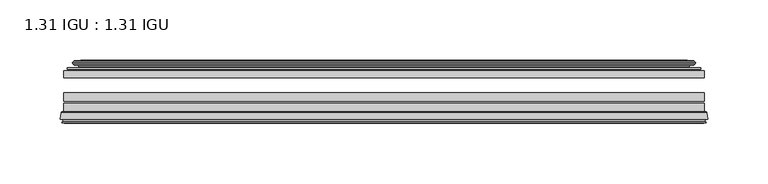
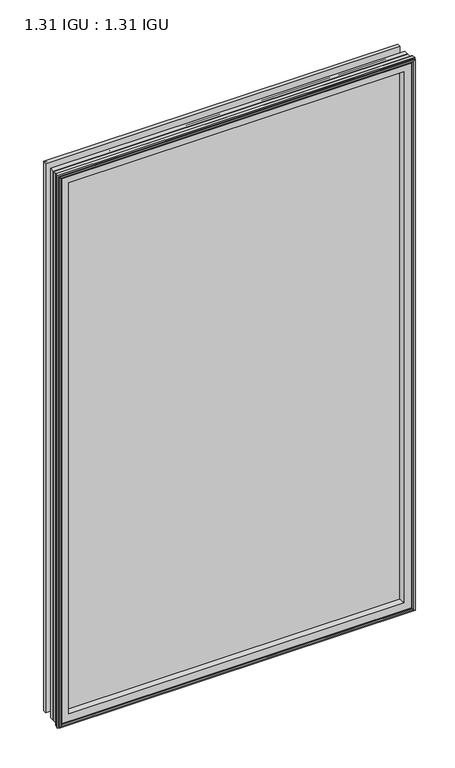
"""IFC4 building model written with IfcOpenShell, lengths in millimetres: plate geometry, 1.31 IGU : 1.31 IGU."""

import ifcopenshell
import ifcopenshell.guid

model = None  # the IFC model being written
_history = None  # IfcOwnerHistory: only IFC2X3 demands one
_inside = {}  # id of a spatial element -> (the spatial element, [elements in it])
_under = {}  # id of a project, library or spatial element -> (it, [spatial elements below it])
_declared = {}  # id of a project -> (the project, [libraries it declares])
_typed = {}  # id of a type object -> (the type object, [elements of that type])
_made_of = {}  # id of a material, layer set ... -> (it, [elements and type objects made of it])


def new_model(schema):
    """Start an empty IFC model of exactly this schema.

    Asked for "IFC4X3", IfcOpenShell would pick the latest addendum, in which some entities
    have other attributes; the version numbers below select the first issue.
    IFC2X3 requires an IfcOwnerHistory on every rooted entity: one is made here for all.
    """
    global model, _history
    if schema == "IFC4X3":
        model = ifcopenshell.file(schema_version=(4, 3, 0, 0))
    else:
        model = ifcopenshell.file(schema=schema)
    _inside.clear()
    _under.clear()
    _declared.clear()
    _typed.clear()
    _made_of.clear()
    _history = None
    if model.schema == "IFC2X3":
        org = make("IfcOrganization", Name="unknown")
        user = make(
            "IfcPersonAndOrganization",
            ThePerson=make("IfcPerson", FamilyName="unknown"),
            TheOrganization=org,
        )
        app = make(
            "IfcApplication",
            ApplicationDeveloper=org,
            Version="unknown",
            ApplicationFullName="unknown",
            ApplicationIdentifier="unknown",
        )
        _history = make(
            "IfcOwnerHistory",
            OwningUser=user,
            OwningApplication=app,
            ChangeAction="ADDED",
            CreationDate=0,
        )
    return model


def make(cls, **values):
    """One entity of the class cls with the attributes given. An attribute that is None is left unset."""
    return model.create_entity(
        cls, **{name: value for name, value in values.items() if value is not None}
    )


def rooted(cls, **values):
    """An entity with a GlobalId (a new one), such as an element, a storey or a relation."""
    return make(cls, GlobalId=ifcopenshell.guid.new(), OwnerHistory=_history, **values)


def si_unit(unit_type, name, prefix=None):
    """IfcSIUnit, for example si_unit("LENGTHUNIT", "METRE", prefix="MILLI")."""
    return make("IfcSIUnit", UnitType=unit_type, Prefix=prefix, Name=name)


def assignment(units):
    """IfcUnitAssignment: the units of a project."""
    return None if units is None else make("IfcUnitAssignment", Units=units)


def point(xyz):
    """IfcCartesianPoint."""
    return None if xyz is None else make("IfcCartesianPoint", Coordinates=xyz)


def direction(xyz):
    """IfcDirection."""
    return None if xyz is None else make("IfcDirection", DirectionRatios=xyz)


def frame(location, z_axis=None, x_axis=None):
    """IfcAxis2Placement3D, a coordinate frame: its origin and axes. An axis left out is left unset."""
    return make(
        "IfcAxis2Placement3D",
        Location=point(location),
        Axis=direction(z_axis),
        RefDirection=direction(x_axis),
    )


def origin():
    """The frame at (0, 0, 0) with its axes left unset."""
    return frame((0.0, 0.0, 0.0))


def place(relative_to, where):
    """IfcLocalPlacement: puts the frame where relative to a parent placement (None: the world)."""
    return make(
        "IfcLocalPlacement", PlacementRelTo=relative_to, RelativePlacement=where
    )


def context(
    kind, dimensions, precision=None, world=None, true_north=None, identifier=None
):
    """IfcGeometricRepresentationContext, for example the 3D "Model" context."""
    return make(
        "IfcGeometricRepresentationContext",
        ContextIdentifier=identifier,
        ContextType=kind,
        CoordinateSpaceDimension=dimensions,
        Precision=precision,
        WorldCoordinateSystem=world,
        TrueNorth=true_north,
    )


def project(units=None, contexts=None):
    """IfcProject with its units and contexts."""
    return rooted(
        "IfcProject",
        Name="project",
        RepresentationContexts=contexts,
        UnitsInContext=assignment(units),
    )


def spatial(cls, under=None, at=None, **own):
    """A site, building, storey or space (cls), placed at a placement, below another one or the project."""
    s = rooted(cls, ObjectPlacement=at, **own)
    if under is not None:
        _under.setdefault(under.id(), (under, []))[1].append(s)
    return s


def polyline(points):
    """IfcPolyline through the points."""
    return make("IfcPolyline", Points=[point(p) for p in points])


def ellipse_curve(where, semi_axis1, semi_axis2):
    """IfcEllipse in the frame where."""
    return make(
        "IfcEllipse", Position=where, SemiAxis1=semi_axis1, SemiAxis2=semi_axis2
    )


def outline(outer, holes=None, kind="AREA"):
    """IfcArbitraryClosedProfileDef: a profile drawn as a closed curve; with holes, ...WithVoids."""
    if holes is None:
        return make("IfcArbitraryClosedProfileDef", ProfileType=kind, OuterCurve=outer)
    return make(
        "IfcArbitraryProfileDefWithVoids",
        ProfileType=kind,
        OuterCurve=outer,
        InnerCurves=holes,
    )


def extrude(swept, where, along, depth):
    """IfcExtrudedAreaSolid: the profile swept, set in the frame where, extruded along a direction by depth."""
    return make(
        "IfcExtrudedAreaSolid",
        SweptArea=swept,
        Position=where,
        ExtrudedDirection=direction(along),
        Depth=depth,
    )


def shape(context_of_items, identifier, shape_type, items):
    """IfcShapeRepresentation: the items that make up one representation, for example the "Body"."""
    return make(
        "IfcShapeRepresentation",
        ContextOfItems=context_of_items,
        RepresentationIdentifier=identifier,
        RepresentationType=shape_type,
        Items=items,
    )


def source(mapping_origin, context_of_items, identifier, shape_type, items):
    """IfcRepresentationMap: a shape defined once, which mapped items show again and again."""
    return make(
        "IfcRepresentationMap",
        MappingOrigin=mapping_origin,
        MappedRepresentation=shape(context_of_items, identifier, shape_type, items),
    )


def transform(
    local_origin,
    x_axis=None,
    y_axis=None,
    z_axis=None,
    scale=None,
    scale2=None,
    scale3=None,
    uniform=True,
):
    """IfcCartesianTransformationOperator3D, or its non-uniform kind. x_axis, y_axis, z_axis: its Axis1, 2, 3."""
    if uniform:
        return make(
            "IfcCartesianTransformationOperator3D",
            Axis1=direction(x_axis),
            Axis2=direction(y_axis),
            LocalOrigin=point(local_origin),
            Scale=scale,
            Axis3=direction(z_axis),
        )
    return make(
        "IfcCartesianTransformationOperator3DnonUniform",
        Axis1=direction(x_axis),
        Axis2=direction(y_axis),
        LocalOrigin=point(local_origin),
        Scale=scale,
        Axis3=direction(z_axis),
        Scale2=scale2,
        Scale3=scale3,
    )


def mapped(mapping_source, mapping_target):
    """IfcMappedItem: shows the shape of a source again, moved by a transform."""
    return make(
        "IfcMappedItem", MappingSource=mapping_source, MappingTarget=mapping_target
    )


def made_of(thing, what):
    """Note that an element or type object is made of a material, layer set ...; save() writes the relation."""
    if what is not None:
        _made_of.setdefault(what.id(), (what, []))[1].append(thing)
    return thing


def element(
    cls,
    number,
    at=None,
    inside=None,
    cuts=None,
    type_object=None,
    material=None,
    context=None,
    identifier="Body",
    shape_type=None,
    held_by="IfcProductDefinitionShape",
    body=None,
    shapes=None,
    **own,
):
    """One element of the class cls, such as IfcWall. Its Tag is "e" and its number.

    at: its placement. inside: the storey or other place that contains it. cuts: it is an
    opening in that element (IfcRelVoidsElement). A single representation is given by context,
    identifier, shape_type and body (its items); several are given by shapes. held_by: the class
    of the entity that holds the representations. save() writes the other relations.
    """
    e = rooted(cls, Tag="e%d" % number, ObjectPlacement=at, **own)
    if body is not None:
        shapes = [shape(context, identifier, shape_type, body)]
    if shapes is not None:
        e.Representation = make(held_by, Representations=shapes)
    if inside is not None:
        _inside.setdefault(inside.id(), (inside, []))[1].append(e)
    if cuts is not None:
        rooted(
            "IfcRelVoidsElement", RelatingBuildingElement=cuts, RelatedOpeningElement=e
        )
    if type_object is not None:
        _typed.setdefault(type_object.id(), (type_object, []))[1].append(e)
    return made_of(e, material)


def aggregate(whole, parts):
    """IfcRelAggregates: a whole, such as a stair, and the parts it consists of."""
    return rooted("IfcRelAggregates", RelatingObject=whole, RelatedObjects=parts)


def save(model, path):
    """Write the relations noted so far, then the file.

    IfcRelAggregates (storeys below a building ...), IfcRelContainedInSpatialStructure (elements
    in a storey), IfcRelDefinesByType, IfcRelAssociatesMaterial and IfcRelDeclares: one each for
    every whole, place, type object, material and project.
    """
    for whole, parts in _under.values():
        aggregate(whole, parts)
    for where, things in _inside.values():
        rooted(
            "IfcRelContainedInSpatialStructure",
            RelatedElements=things,
            RelatingStructure=where,
        )
    for kind, things in _typed.values():
        rooted("IfcRelDefinesByType", RelatedObjects=things, RelatingType=kind)
    for what, things in _made_of.values():
        rooted("IfcRelAssociatesMaterial", RelatedObjects=things, RelatingMaterial=what)
    for by, libraries in _declared.values():
        rooted("IfcRelDeclares", RelatingContext=by, RelatedDefinitions=libraries)
    model.write(path)


def plane_surface(at):
    """IfcPlane: the flat surface through the origin of the frame at, square to its z axis."""
    return make("IfcPlane", Position=at)


def cylinder_surface(at, radius):
    """IfcCylindricalSurface: all points at the distance radius from the z axis of the frame at."""
    return make("IfcCylindricalSurface", Position=at, Radius=radius)


def revolved_surface(curve, axis_point, axis_direction):
    """IfcSurfaceOfRevolution: the curve turned about the line through axis_point along axis_direction."""
    return make(
        "IfcSurfaceOfRevolution",
        SweptCurve=make("IfcArbitraryOpenProfileDef", ProfileType="CURVE", Curve=curve),
        AxisPosition=make("IfcAxis1Placement", Location=point(axis_point), Axis=direction(axis_direction)),
    )


def advanced_brep(points, edges, surfaces, faces):
    """IfcAdvancedBrep: a solid bounded by faces that lie on surfaces and meet in shared edges.

    An edge is (start, end): straight between two places in points (the first is 0);
    or (start, end, curve); or (start, end, curve, False) where it runs against its curve.
    A face is (place in surfaces, loops), or (place, loops, False) where it looks against
    its surface's normal. A loop lists edges by number (the first is 1), with a minus sign
    where the edge is run from its end to its start. The first loop is the outer one.
    """
    corners = [point(p) for p in points]
    vertices = [make("IfcVertexPoint", VertexGeometry=c) for c in corners]
    made = []
    for start, end, *more in edges:
        made.append(
            make(
                "IfcEdgeCurve",
                EdgeStart=vertices[start],
                EdgeEnd=vertices[end],
                EdgeGeometry=more[0] if more else make("IfcPolyline", Points=[corners[start], corners[end]]),
                SameSense=more[1] if len(more) > 1 else True,
            )
        )
    hull = []
    for where, loops, *sense in faces:
        bounds = []
        for j, loop in enumerate(loops):
            ring = [make("IfcOrientedEdge", EdgeElement=made[abs(k) - 1], Orientation=k > 0) for k in loop]
            bounds.append(
                make(
                    "IfcFaceOuterBound" if j == 0 else "IfcFaceBound",
                    Bound=make("IfcEdgeLoop", EdgeList=ring),
                    Orientation=True,
                )
            )
        hull.append(make("IfcAdvancedFace", Bounds=bounds, FaceSurface=surfaces[where], SameSense=sense[0] if sense else True))
    return make("IfcAdvancedBrep", Outer=make("IfcClosedShell", CfsFaces=hull))


def plate_1_31_igu_1_31_igu_bc523b24(model_context):
    return source(origin(), model_context, "Body", "SolidModel", [
        extrude(outline(polyline([(265.1081075, -44.8960875), (265.1081075, -50.4332875), (-265.1130426, -50.4332875), (-265.1130426, -44.8960875), (265.1081075, -44.8960875)])), frame((0.0, 0.0, -14.2875), z_axis=(0.0, 0.0, 1.0), x_axis=(1.0, 0.0, 0.0)), (0.0, 0.0, 1.0), 868.3488413),
        extrude(outline(polyline([(-265.1130426, -78.7796875), (-265.1130426, -71.7692875), (265.1081075, -71.7692875), (265.1081075, -78.7796875), (-265.1130426, -78.7796875)])), frame((0.0, 0.0, -14.2875), z_axis=(0.0, 0.0, 1.0), x_axis=(1.0, 0.0, 0.0)), (0.0, 0.0, 1.0), 868.3488413),
        extrude(outline(polyline([(-265.1130426, -70.2452875), (-265.1130426, -63.1332875), (265.1081075, -63.1332875), (265.1081075, -70.2452875), (-265.1130426, -70.2452875)])), frame((0.0, 0.0, -14.2875), z_axis=(0.0, 0.0, 1.0), x_axis=(1.0, 0.0, 0.0)), (0.0, 0.0, 1.0), 868.3488413),
        advanced_brep(
        [(-267.6599465, -85.1296875, 856.6082452), (-266.9651627, -79.4711276, 855.9134614), (-266.9651627, -79.4711276, -16.1396201), (-267.6599465, -85.1296875, -16.8344039), (-265.2723465, -87.1207518, 854.2206452), (-265.7295465, -85.1296875, 854.6778452), (-265.7295465, -85.1296875, -14.9040039), (-265.2723465, -87.1207518, -14.4468039), (-266.2737083, -86.8524376, 855.222007), (-266.2737083, -86.8524376, -15.4481658), (-266.5169465, -87.7602147, 855.4652452), (-266.5169465, -87.7602147, -15.6914039), (-264.4849465, -88.3046875, 853.4332452), (-264.4849465, -88.3046875, -13.6594039), (-262.4529465, -87.7602147, 851.4012452), (-262.4529465, -87.7602147, -11.6274039), (-262.6961846, -86.8524376, 851.6444833), (-262.6961846, -86.8524376, -11.8706421), (-263.6975465, -87.1207518, 852.6458452), (-263.6975465, -87.1207518, -12.8720039), (-263.2403465, -85.1296875, 852.1886452), (-263.2403465, -85.1296875, -12.4148039), (-266.1836318, -78.7796875, 855.1319306), (-266.1836318, -78.7796875, -15.3580893), (266.9651627, -79.4711276, -16.1396201), (267.6599465, -85.1296875, -16.8344039), (265.7295465, -85.1296875, -14.9040039), (265.2723465, -87.1207518, -14.4468039), (266.2737083, -86.8524376, -15.4481658), (266.5169465, -87.7602147, -15.6914039), (264.4849465, -88.3046875, -13.6594039), (262.4529465, -87.7602147, -11.6274039), (262.6961846, -86.8524376, -11.8706421), (263.6975465, -87.1207518, -12.8720039), (263.2403465, -85.1296875, -12.4148039), (266.1836318, -78.7796875, -15.3580893), (266.9651627, -79.4711276, 855.9134614), (267.6599465, -85.1296875, 856.6082452), (265.7295465, -85.1296875, 854.6778452), (265.2723465, -87.1207518, 854.2206452), (266.2737083, -86.8524376, 855.222007), (266.5169465, -87.7602147, 855.4652452), (264.4849465, -88.3046875, 853.4332452), (262.4529465, -87.7602147, 851.4012452), (262.6961846, -86.8524376, 851.6444833), (263.6975465, -87.1207518, 852.6458452), (263.2403465, -85.1296875, 852.1886452), (266.1836318, -78.7796875, 855.1319306), (-250.8377557, -85.1296875, 839.7860544), (250.8377557, -85.1296875, 839.7860544), (250.8377557, -85.1296875, -0.0122131), (-250.8377557, -85.1296875, -0.0122131), (-247.5214788, -78.7796875, 3.3040638), (247.5214788, -78.7796875, 3.3040638), (247.5214788, -78.7796875, 836.4697775), (-247.5214788, -78.7796875, 836.4697775)],
        [
            (0, 1),
            (1, 2),
            (2, 3),
            (3, 0),
            (4, 5),
            (5, 6),
            (6, 7),
            (7, 4),
            (8, 4),
            (7, 9),
            (9, 8),
            (10, 8),
            (9, 11),
            (11, 10),
            (12, 10),
            (11, 13),
            (13, 12),
            (14, 12),
            (13, 15),
            (15, 14),
            (16, 14),
            (15, 17),
            (17, 16),
            (18, 16),
            (17, 19),
            (19, 18),
            (20, 18),
            (19, 21),
            (21, 20),
            (1, 22, ellipse_curve(frame((-266.1836318, -79.5670875, 855.1319306), z_axis=(-0.7071067811865475, 0.0, -0.7071067811865475), x_axis=(-0.7071067811865474, 0.0, 0.7071067811865476)), 1.1135518, 0.7874)),
            (22, 23),
            (23, 2, ellipse_curve(frame((-266.1836318, -79.5670875, -15.3580893), z_axis=(-0.7071067811865475, 0.0, 0.7071067811865475), x_axis=(0.7071067811865474, 0.0, 0.7071067811865476)), 1.1135518, 0.7874)),
            (2, 24),
            (24, 25),
            (25, 3),
            (6, 26),
            (26, 27),
            (27, 7),
            (27, 28),
            (28, 9),
            (28, 29),
            (29, 11),
            (29, 30),
            (30, 13),
            (30, 31),
            (31, 15),
            (31, 32),
            (32, 17),
            (32, 33),
            (33, 19),
            (33, 34),
            (34, 21),
            (23, 35),
            (35, 24, ellipse_curve(frame((266.1836318, -79.5670875, -15.3580893), z_axis=(-0.7071067811865475, 0.0, -0.7071067811865475), x_axis=(-0.7071067811865476, 0.0, 0.7071067811865474)), 1.1135518, 0.7874)),
            (24, 36),
            (36, 37),
            (37, 25),
            (26, 38),
            (38, 39),
            (39, 27),
            (39, 40),
            (40, 28),
            (40, 41),
            (41, 29),
            (41, 42),
            (42, 30),
            (42, 43),
            (43, 31),
            (43, 44),
            (44, 32),
            (44, 45),
            (45, 33),
            (45, 46),
            (46, 34),
            (35, 47),
            (47, 36, ellipse_curve(frame((266.1836318, -79.5670875, 855.1319306), z_axis=(0.7071067811865475, 0.0, -0.7071067811865475), x_axis=(-0.7071067811865474, 0.0, -0.7071067811865476)), 1.1135518, 0.7874)),
            (36, 1),
            (0, 37),
            (5, 38),
            (4, 39),
            (8, 40),
            (10, 41),
            (12, 42),
            (14, 43),
            (16, 44),
            (18, 45),
            (20, 46),
            (48, 49),
            (49, 50),
            (50, 51),
            (51, 48),
            (22, 47),
            (52, 53),
            (53, 54),
            (54, 55),
            (55, 52),
            (55, 48, ellipse_curve(frame((-239.5884608, -86.963653, 828.5367595), z_axis=(0.7071067811865475, 0.0, 0.7071067811865475), x_axis=(0.7071067811865474, 0.0, -0.7071067811865476)), 16.118937, 11.3978097)),
            (51, 52, ellipse_curve(frame((-239.5884608, -86.963653, 11.2370818), z_axis=(0.7071067811865475, 0.0, -0.7071067811865475), x_axis=(-0.7071067811865474, 0.0, -0.7071067811865476)), 16.118937, 11.3978097)),
            (50, 53, ellipse_curve(frame((239.5884608, -86.963653, 11.2370818), z_axis=(0.7071067811865475, 0.0, 0.7071067811865475), x_axis=(0.7071067811865476, 0.0, -0.7071067811865474)), 16.118937, 11.3978097)),
            (49, 54, ellipse_curve(frame((239.5884608, -86.963653, 828.5367595), z_axis=(-0.7071067811865475, 0.0, 0.7071067811865475), x_axis=(0.7071067811865474, 0.0, 0.7071067811865476)), 16.118937, 11.3978097)),
        ],
        [
            plane_surface(frame((-266.9651627, -79.4711276, 855.9134614), z_axis=(-0.9925461516413008, 0.12186934340532067, 0.0), x_axis=(0.0, 0.0, -1.0))),
            plane_surface(frame((-265.7295465, -85.1296875, 854.6778452), z_axis=(-0.9746347637895997, -0.22380142361654332, 0.0), x_axis=(0.0, 0.0, -1.0))),
            plane_surface(frame((-265.2723465, -87.1207518, 854.2206452), z_axis=(0.25881904510266784, 0.9659258262890289, 0.0), x_axis=(0.0, 0.0, -1.0))),
            plane_surface(frame((-266.2737083, -86.8524376, 855.222007), z_axis=(-0.9659258262890449, 0.2588190451026083, 0.0), x_axis=(0.0, 0.0, -1.0))),
            plane_surface(frame((-266.5169465, -87.7602147, 855.4652452), z_axis=(-0.2588190451025689, -0.9659258262890554, 0.0), x_axis=(0.0, 0.0, -1.0))),
            plane_surface(frame((-264.4849465, -88.3046875, 853.4332452), z_axis=(0.25881904510241466, -0.9659258262890968, 0.0), x_axis=(0.0, 0.0, -1.0))),
            plane_surface(frame((-262.4529465, -87.7602147, 851.4012452), z_axis=(0.9659258262890272, 0.25881904510267406, 0.0), x_axis=(0.0, 0.0, -1.0))),
            plane_surface(frame((-262.6961846, -86.8524376, 851.6444833), z_axis=(-0.25881904510234177, 0.9659258262891163, 0.0), x_axis=(0.0, 0.0, -1.0))),
            plane_surface(frame((-263.6975465, -87.1207518, 852.6458452), z_axis=(0.9746347637895936, -0.2238014236165695, 0.0), x_axis=(0.0, 0.0, -1.0))),
            cylinder_surface(frame((-266.1836318, -79.5670875, 871.5238413), z_axis=(0.0, 0.0, 1.0), x_axis=(-1.0, 0.0, 0.0)), 0.7874),
            plane_surface(frame((-266.9651627, -79.4711276, -16.1396201), z_axis=(0.0, 0.12186934340531747, -0.9925461516413012), x_axis=(1.0, 0.0, 0.0))),
            plane_surface(frame((-265.7295465, -85.1296875, -14.9040039), z_axis=(0.0, -0.22380142361654648, -0.9746347637895989), x_axis=(1.0, 0.0, 0.0))),
            plane_surface(frame((-265.2723465, -87.1207518, -14.4468039), z_axis=(0.0, 0.9659258262890298, 0.25881904510266474), x_axis=(1.0, 0.0, 0.0))),
            plane_surface(frame((-266.2737083, -86.8524376, -15.4481658), z_axis=(0.0, 0.25881904510260517, -0.9659258262890458), x_axis=(1.0, 0.0, 0.0))),
            plane_surface(frame((-266.5169465, -87.7602147, -15.6914039), z_axis=(0.0, -0.9659258262890563, -0.2588190451025658), x_axis=(1.0, 0.0, 0.0))),
            plane_surface(frame((-264.4849465, -88.3046875, -13.6594039), z_axis=(0.0, -0.965925826289096, 0.25881904510241777), x_axis=(1.0, 0.0, 0.0))),
            plane_surface(frame((-262.4529465, -87.7602147, -11.6274039), z_axis=(0.0, 0.2588190451026772, 0.9659258262890265), x_axis=(1.0, 0.0, 0.0))),
            plane_surface(frame((-262.6961846, -86.8524376, -11.8706421), z_axis=(0.0, 0.9659258262891154, -0.2588190451023449), x_axis=(1.0, 0.0, 0.0))),
            plane_surface(frame((-263.6975465, -87.1207518, -12.8720039), z_axis=(0.0, -0.22380142361656633, 0.9746347637895943), x_axis=(1.0, 0.0, 0.0))),
            cylinder_surface(frame((-282.5755426, -79.5670875, -15.3580893), z_axis=(-1.0, 0.0, 0.0), x_axis=(0.0, 0.0, -1.0)), 0.7874),
            plane_surface(frame((266.9651627, -79.4711276, -16.1396201), z_axis=(0.9925461516413017, 0.12186934340531426, 0.0), x_axis=(0.0, 0.0, 1.0))),
            plane_surface(frame((265.7295465, -85.1296875, -14.9040039), z_axis=(0.9746347637895981, -0.22380142361654964, 0.0), x_axis=(0.0, 0.0, 1.0))),
            plane_surface(frame((265.2723465, -87.1207518, -14.4468039), z_axis=(-0.2588190451026616, 0.9659258262890307, 0.0), x_axis=(0.0, 0.0, 1.0))),
            plane_surface(frame((266.2737083, -86.8524376, -15.4481658), z_axis=(0.9659258262890467, 0.25881904510260206, 0.0), x_axis=(0.0, 0.0, 1.0))),
            plane_surface(frame((266.5169465, -87.7602147, -15.6914039), z_axis=(0.2588190451025627, -0.9659258262890572, 0.0), x_axis=(0.0, 0.0, 1.0))),
            plane_surface(frame((264.4849465, -88.3046875, -13.6594039), z_axis=(-0.2588190451024209, -0.9659258262890951, 0.0), x_axis=(0.0, 0.0, 1.0))),
            plane_surface(frame((262.4529465, -87.7602147, -11.6274039), z_axis=(-0.9659258262890256, 0.25881904510268033, 0.0), x_axis=(0.0, 0.0, 1.0))),
            plane_surface(frame((262.6961846, -86.8524376, -11.8706421), z_axis=(0.25881904510234804, 0.9659258262891146, 0.0), x_axis=(0.0, 0.0, 1.0))),
            plane_surface(frame((263.6975465, -87.1207518, -12.8720039), z_axis=(-0.9746347637895951, -0.22380142361656316, 0.0), x_axis=(0.0, 0.0, 1.0))),
            cylinder_surface(frame((266.1836318, -79.5670875, -31.75), z_axis=(0.0, 0.0, -1.0), x_axis=(1.0, 0.0, 0.0)), 0.7874),
            plane_surface(frame((266.9651627, -79.4711276, 855.9134614), z_axis=(0.0, 0.12186934340531747, 0.9925461516413012), x_axis=(-1.0, 0.0, 0.0))),
            plane_surface(frame((267.6599465, -85.1296875, 856.6082452), z_axis=(0.0, -1.0, 0.0), x_axis=(-1.0, 0.0, 0.0))),
            plane_surface(frame((265.7295465, -85.1296875, 854.6778452), z_axis=(0.0, -0.22380142361654648, 0.9746347637895989), x_axis=(-1.0, 0.0, 0.0))),
            plane_surface(frame((265.2723465, -87.1207518, 854.2206452), z_axis=(0.0, 0.9659258262890298, -0.25881904510266474), x_axis=(-1.0, 0.0, 0.0))),
            plane_surface(frame((266.2737083, -86.8524376, 855.222007), z_axis=(0.0, 0.25881904510260517, 0.9659258262890458), x_axis=(-1.0, 0.0, 0.0))),
            plane_surface(frame((266.5169465, -87.7602147, 855.4652452), z_axis=(0.0, -0.9659258262890563, 0.2588190451025658), x_axis=(-1.0, 0.0, 0.0))),
            plane_surface(frame((264.4849465, -88.3046875, 853.4332452), z_axis=(0.0, -0.965925826289096, -0.25881904510241777), x_axis=(-1.0, 0.0, 0.0))),
            plane_surface(frame((262.4529465, -87.7602147, 851.4012452), z_axis=(0.0, 0.2588190451026772, -0.9659258262890265), x_axis=(-1.0, 0.0, 0.0))),
            plane_surface(frame((262.6961846, -86.8524376, 851.6444833), z_axis=(0.0, 0.9659258262891155, 0.25881904510234494), x_axis=(-1.0, 0.0, 0.0))),
            plane_surface(frame((263.6975465, -87.1207518, 852.6458452), z_axis=(0.0, -0.22380142361656633, -0.9746347637895943), x_axis=(-1.0, 0.0, 0.0))),
            plane_surface(frame((263.2403465, -85.1296875, 852.1886452), z_axis=(0.0, -1.0, 0.0), x_axis=(-1.0, 0.0, 0.0))),
            plane_surface(frame((247.5214788, -78.7796875, 836.4697775), z_axis=(0.0, 1.0, 0.0), x_axis=(-1.0, 0.0, 0.0))),
            cylinder_surface(frame((282.5755426, -79.5670875, 855.1319306), z_axis=(1.0, 0.0, 0.0), x_axis=(0.0, 0.0, 1.0)), 0.7874),
            revolved_surface(polyline([(-250.98627050000002, -86.963653, -0.1607278582187064), (-250.98627050000002, -86.963653, 839.9345691582188)]), (-239.5884608, -86.963653, 871.5238413), (0.0, 0.0, -1.0)),
            revolved_surface(polyline([(250.9862704582187, -86.963653, -0.16072789999999948), (-250.98627045821874, -86.963653, -0.16072789999999948)]), (-282.5755426, -86.963653, 11.2370818), (1.0, 0.0, 0.0)),
            revolved_surface(polyline([(250.98627050000002, -86.963653, 839.9345691582188), (250.98627050000002, -86.963653, -0.16072785821874191)]), (239.5884608, -86.963653, -31.75), (0.0, 0.0, 1.0)),
            revolved_surface(polyline([(-250.9862704582187, -86.963653, 839.9345692), (250.98627045821874, -86.963653, 839.9345692)]), (282.5755426, -86.963653, 828.5367595), (-1.0, 0.0, 0.0)),
        ],
        [
            (0, [[1, 2, 3, 4]]),
            (1, [[5, 6, 7, 8]]),
            (2, [[9, -8, 10, 11]]),
            (3, [[12, -11, 13, 14]]),
            (4, [[15, -14, 16, 17]]),
            (5, [[18, -17, 19, 20]]),
            (6, [[21, -20, 22, 23]]),
            (7, [[24, -23, 25, 26]]),
            (8, [[27, -26, 28, 29]]),
            (9, [[30, 31, 32, -2]]),
            (10, [[-3, 33, 34, 35]]),
            (11, [[-7, 36, 37, 38]]),
            (12, [[-10, -38, 39, 40]]),
            (13, [[-13, -40, 41, 42]]),
            (14, [[-16, -42, 43, 44]]),
            (15, [[-19, -44, 45, 46]]),
            (16, [[-22, -46, 47, 48]]),
            (17, [[-25, -48, 49, 50]]),
            (18, [[-28, -50, 51, 52]]),
            (19, [[-32, 53, 54, -33]]),
            (20, [[-34, 55, 56, 57]]),
            (21, [[-37, 58, 59, 60]]),
            (22, [[-39, -60, 61, 62]]),
            (23, [[-41, -62, 63, 64]]),
            (24, [[-43, -64, 65, 66]]),
            (25, [[-45, -66, 67, 68]]),
            (26, [[-47, -68, 69, 70]]),
            (27, [[-49, -70, 71, 72]]),
            (28, [[-51, -72, 73, 74]]),
            (29, [[-54, 75, 76, -55]]),
            (30, [[-56, 77, -1, 78]]),
            (31, [[-35, -57, -78, -4], [79, -58, -36, -6]]),
            (32, [[-59, -79, -5, 80]]),
            (33, [[-61, -80, -9, 81]]),
            (34, [[-63, -81, -12, 82]]),
            (35, [[-65, -82, -15, 83]]),
            (36, [[-67, -83, -18, 84]]),
            (37, [[-69, -84, -21, 85]]),
            (38, [[-71, -85, -24, 86]]),
            (39, [[-73, -86, -27, 87]]),
            (40, [[-52, -74, -87, -29], [88, 89, 90, 91]]),
            (41, [[92, -75, -53, -31], [93, 94, 95, 96]]),
            (42, [[-76, -92, -30, -77]]),
            (43, [[97, -91, 98, -96]]),
            (44, [[-98, -90, 99, -93]]),
            (45, [[-99, -89, 100, -94]]),
            (46, [[-100, -88, -97, -95]]),
        ],
    ),
        advanced_brep(
        [(-255.767718, -37.7373382, 844.7160167), (-250.8260851, -36.3108875, 839.7743838), (-250.8260851, -36.3108875, -0.0005426), (-255.767718, -37.7373382, -4.9421755), (-255.6026127, -36.9605789, 844.5509115), (-255.6026127, -36.9605789, -4.7770702), (-256.1980984, -36.4771203, 845.1463972), (-256.1980984, -36.4771203, -5.3725559), (-257.4627342, -37.766076, 846.411033), (-257.4627342, -37.766076, -6.6371917), (-257.4519175, -38.8797852, 846.4002162), (-257.4519175, -38.8797852, -6.6263749), (-256.1704323, -40.1361433, 845.118731), (-256.1704323, -40.1361433, -5.3448897), (-255.5654254, -39.649943, 844.5137242), (-255.5654254, -39.649943, -4.7398829), (-256.1194397, -39.0959287, 845.0677384), (-256.1194397, -39.0959287, -5.2938972), (-253.8336313, -38.7029881, 842.78193), (-253.8336313, -38.7029881, -3.0080887), (-252.3745582, -40.2107282, 841.3228569), (-252.3745582, -40.2107282, -1.5490157), (-252.6711401, -41.651269, 841.6194389), (-252.6711401, -41.651269, -1.8455976), (-253.4423646, -42.2798875, 842.3906633), (-253.4423646, -42.2798875, -2.6168221), (-261.7463409, -43.4871542, 850.6946396), (-261.4711395, -42.2798875, 850.4194382), (-261.4711395, -42.2798875, -10.6455969), (-261.7463409, -43.4871542, -10.9207984), (-258.2887723, -44.8960875, 847.237071), (-258.2887723, -44.8960875, -7.4632297), (-247.1911485, -44.023302, 836.1394472), (-247.5464864, -44.8960875, 836.4947851), (-247.5464864, -44.8960875, 3.2790561), (-247.1911485, -44.023302, 3.6343941), (-247.8623465, -43.3681812, 836.8106452), (-247.8623465, -43.3681812, 2.963196), (-249.5031371, -40.6686056, 838.4514358), (-249.5031371, -40.6686056, 1.3224054), (250.8260851, -36.3108875, -0.0005426), (255.767718, -37.7373382, -4.9421755), (255.6026127, -36.9605789, -4.7770702), (256.1980984, -36.4771203, -5.3725559), (257.4627342, -37.766076, -6.6371917), (257.4519175, -38.8797852, -6.6263749), (256.1704323, -40.1361433, -5.3448897), (255.5654254, -39.649943, -4.7398829), (256.1194397, -39.0959287, -5.2938972), (253.8336313, -38.7029881, -3.0080887), (252.3745582, -40.2107282, -1.5490157), (252.6711401, -41.651269, -1.8455976), (253.4423646, -42.2798875, -2.6168221), (261.4711395, -42.2798875, -10.6455969), (261.7463409, -43.4871542, -10.9207984), (258.2887723, -44.8960875, -7.4632297), (247.5464864, -44.8960875, 3.2790561), (247.1911485, -44.023302, 3.6343941), (247.8623465, -43.3681812, 2.963196), (249.5031371, -40.6686056, 1.3224054), (250.8260851, -36.3108875, 839.7743838), (255.767718, -37.7373382, 844.7160167), (255.6026127, -36.9605789, 844.5509115), (256.1980984, -36.4771203, 845.1463972), (257.4627342, -37.766076, 846.411033), (257.4519175, -38.8797852, 846.4002162), (256.1704323, -40.1361433, 845.118731), (255.5654254, -39.649943, 844.5137242), (256.1194397, -39.0959287, 845.0677384), (253.8336313, -38.7029881, 842.78193), (252.3745582, -40.2107282, 841.3228569), (252.6711401, -41.651269, 841.6194389), (253.4423646, -42.2798875, 842.3906633), (261.4711395, -42.2798875, 850.4194382), (261.7463409, -43.4871542, 850.6946396), (258.2887723, -44.8960875, 847.237071), (247.5464864, -44.8960875, 836.4947851), (247.1911485, -44.023302, 836.1394472), (247.8623465, -43.3681812, 836.8106452), (249.5031371, -40.6686056, 838.4514358)],
        [
            (0, 1),
            (1, 2),
            (2, 3),
            (3, 0),
            (4, 0),
            (3, 5),
            (5, 4),
            (6, 4, ellipse_curve(frame((-255.9231297, -36.746901, 844.8714284), z_axis=(-0.7071067811865475, 0.0, -0.7071067811865475), x_axis=(-0.7071067811865474, 0.0, 0.7071067811865476)), 0.5447741, 0.3852135)),
            (5, 7, ellipse_curve(frame((-255.9231297, -36.746901, -5.0975871), z_axis=(-0.7071067811865475, 0.0, 0.7071067811865475), x_axis=(0.7071067811865474, 0.0, 0.7071067811865476)), 0.5447741, 0.3852135)),
            (7, 6),
            (8, 6),
            (7, 9),
            (9, 8),
            (10, 8, ellipse_curve(frame((-256.9006812, -38.3175243, 845.8489799), z_axis=(-0.7071067811865475, 0.0, -0.7071067811865475), x_axis=(-0.7071067811865474, 0.0, 0.7071067811865476)), 1.1135518, 0.7874)),
            (9, 11, ellipse_curve(frame((-256.9006812, -38.3175243, -6.0751387), z_axis=(-0.7071067811865475, 0.0, 0.7071067811865475), x_axis=(0.7071067811865474, 0.0, 0.7071067811865476)), 1.1135518, 0.7874)),
            (11, 10),
            (12, 10),
            (11, 13),
            (13, 12),
            (14, 12, ellipse_curve(frame((-255.8968348, -39.8570738, 844.8451335), z_axis=(-0.7071067811865475, 0.0, -0.7071067811865475), x_axis=(-0.7071067811865474, 0.0, 0.7071067811865476)), 0.552694, 0.3908137)),
            (13, 15, ellipse_curve(frame((-255.8968348, -39.8570738, -5.0712922), z_axis=(-0.7071067811865475, 0.0, 0.7071067811865475), x_axis=(0.7071067811865474, 0.0, 0.7071067811865476)), 0.552694, 0.3908137)),
            (15, 14),
            (16, 14),
            (15, 17),
            (17, 16),
            (18, 16),
            (17, 19),
            (19, 18),
            (20, 18, ellipse_curve(frame((-253.6184687, -39.954629, 842.5667674), z_axis=(0.7071067811865475, 0.0, 0.7071067811865475), x_axis=(0.7071067811865474, 0.0, -0.7071067811865476)), 1.7960512, 1.27)),
            (19, 21, ellipse_curve(frame((-253.6184687, -39.954629, -2.7929261), z_axis=(0.7071067811865475, 0.0, -0.7071067811865475), x_axis=(-0.7071067811865474, 0.0, -0.7071067811865476)), 1.7960512, 1.27)),
            (21, 20),
            (22, 20),
            (21, 23),
            (23, 22),
            (24, 22, ellipse_curve(frame((-253.4423646, -41.4924875, 842.3906633), z_axis=(0.7071067811865475, 0.0, 0.7071067811865475), x_axis=(0.7071067811865474, 0.0, -0.7071067811865476)), 1.1135518, 0.7874)),
            (23, 25, ellipse_curve(frame((-253.4423646, -41.4924875, -2.6168221), z_axis=(0.7071067811865475, 0.0, -0.7071067811865475), x_axis=(-0.7071067811865474, 0.0, -0.7071067811865476)), 1.1135518, 0.7874)),
            (25, 24),
            (26, 27, ellipse_curve(frame((-261.4711395, -42.9148875, 850.4194382), z_axis=(-0.7071067811865475, 0.0, -0.7071067811865475), x_axis=(-0.7071067811865474, 0.0, 0.7071067811865476)), 0.8980256, 0.635)),
            (27, 28),
            (28, 29, ellipse_curve(frame((-261.4711395, -42.9148875, -10.6455969), z_axis=(-0.7071067811865475, 0.0, 0.7071067811865475), x_axis=(0.7071067811865474, 0.0, 0.7071067811865476)), 0.8980256, 0.635)),
            (29, 26),
            (30, 26),
            (29, 31),
            (31, 30),
            (32, 33, ellipse_curve(frame((-247.5464864, -44.3873602, 836.4947851), z_axis=(-0.7071067811865475, 0.0, -0.7071067811865475), x_axis=(-0.7071067811865474, 0.0, 0.7071067811865476)), 0.719449, 0.5087273)),
            (33, 34),
            (34, 35, ellipse_curve(frame((-247.5464864, -44.3873602, 3.2790561), z_axis=(-0.7071067811865475, 0.0, 0.7071067811865475), x_axis=(0.7071067811865474, 0.0, 0.7071067811865476)), 0.719449, 0.5087273)),
            (35, 32),
            (36, 32),
            (35, 37),
            (37, 36),
            (38, 36, ellipse_curve(frame((-243.4269723, -38.823959, 832.375271), z_axis=(0.7071067811865475, 0.0, 0.7071067811865475), x_axis=(0.7071067811865474, 0.0, -0.7071067811865476)), 8.9802561, 6.35)),
            (37, 39, ellipse_curve(frame((-243.4269723, -38.823959, 7.3985702), z_axis=(0.7071067811865475, 0.0, -0.7071067811865475), x_axis=(-0.7071067811865474, 0.0, -0.7071067811865476)), 8.9802561, 6.35)),
            (39, 38),
            (1, 38),
            (39, 2),
            (2, 40),
            (40, 41),
            (41, 3),
            (41, 42),
            (42, 5),
            (42, 43, ellipse_curve(frame((255.9231297, -36.746901, -5.0975871), z_axis=(-0.7071067811865475, 0.0, -0.7071067811865475), x_axis=(-0.7071067811865476, 0.0, 0.7071067811865474)), 0.5447741, 0.3852135)),
            (43, 7),
            (43, 44),
            (44, 9),
            (44, 45, ellipse_curve(frame((256.9006812, -38.3175243, -6.0751387), z_axis=(-0.7071067811865475, 0.0, -0.7071067811865475), x_axis=(-0.7071067811865476, 0.0, 0.7071067811865474)), 1.1135518, 0.7874)),
            (45, 11),
            (45, 46),
            (46, 13),
            (46, 47, ellipse_curve(frame((255.8968348, -39.8570738, -5.0712922), z_axis=(-0.7071067811865475, 0.0, -0.7071067811865475), x_axis=(-0.7071067811865476, 0.0, 0.7071067811865474)), 0.552694, 0.3908137)),
            (47, 15),
            (47, 48),
            (48, 17),
            (48, 49),
            (49, 19),
            (49, 50, ellipse_curve(frame((253.6184687, -39.954629, -2.7929261), z_axis=(0.7071067811865475, 0.0, 0.7071067811865475), x_axis=(0.7071067811865476, 0.0, -0.7071067811865474)), 1.7960512, 1.27)),
            (50, 21),
            (50, 51),
            (51, 23),
            (51, 52, ellipse_curve(frame((253.4423646, -41.4924875, -2.6168221), z_axis=(0.7071067811865475, 0.0, 0.7071067811865475), x_axis=(0.7071067811865476, 0.0, -0.7071067811865474)), 1.1135518, 0.7874)),
            (52, 25),
            (28, 53),
            (53, 54, ellipse_curve(frame((261.4711395, -42.9148875, -10.6455969), z_axis=(-0.7071067811865475, 0.0, -0.7071067811865475), x_axis=(-0.7071067811865476, 0.0, 0.7071067811865474)), 0.8980256, 0.635)),
            (54, 29),
            (54, 55),
            (55, 31),
            (34, 56),
            (56, 57, ellipse_curve(frame((247.5464864, -44.3873602, 3.2790561), z_axis=(-0.7071067811865475, 0.0, -0.7071067811865475), x_axis=(-0.7071067811865476, 0.0, 0.7071067811865474)), 0.719449, 0.5087273)),
            (57, 35),
            (57, 58),
            (58, 37),
            (58, 59, ellipse_curve(frame((243.4269723, -38.823959, 7.3985702), z_axis=(0.7071067811865475, 0.0, 0.7071067811865475), x_axis=(0.7071067811865476, 0.0, -0.7071067811865474)), 8.9802561, 6.35)),
            (59, 39),
            (59, 40),
            (40, 60),
            (60, 61),
            (61, 41),
            (61, 62),
            (62, 42),
            (62, 63, ellipse_curve(frame((255.9231297, -36.746901, 844.8714284), z_axis=(0.7071067811865475, 0.0, -0.7071067811865475), x_axis=(-0.7071067811865474, 0.0, -0.7071067811865476)), 0.5447741, 0.3852135)),
            (63, 43),
            (63, 64),
            (64, 44),
            (64, 65, ellipse_curve(frame((256.9006812, -38.3175243, 845.8489799), z_axis=(0.7071067811865475, 0.0, -0.7071067811865475), x_axis=(-0.7071067811865474, 0.0, -0.7071067811865476)), 1.1135518, 0.7874)),
            (65, 45),
            (65, 66),
            (66, 46),
            (66, 67, ellipse_curve(frame((255.8968348, -39.8570738, 844.8451335), z_axis=(0.7071067811865475, 0.0, -0.7071067811865475), x_axis=(-0.7071067811865474, 0.0, -0.7071067811865476)), 0.552694, 0.3908137)),
            (67, 47),
            (67, 68),
            (68, 48),
            (68, 69),
            (69, 49),
            (69, 70, ellipse_curve(frame((253.6184687, -39.954629, 842.5667674), z_axis=(-0.7071067811865475, 0.0, 0.7071067811865475), x_axis=(0.7071067811865474, 0.0, 0.7071067811865476)), 1.7960512, 1.27)),
            (70, 50),
            (70, 71),
            (71, 51),
            (71, 72, ellipse_curve(frame((253.4423646, -41.4924875, 842.3906633), z_axis=(-0.7071067811865475, 0.0, 0.7071067811865475), x_axis=(0.7071067811865474, 0.0, 0.7071067811865476)), 1.1135518, 0.7874)),
            (72, 52),
            (53, 73),
            (73, 74, ellipse_curve(frame((261.4711395, -42.9148875, 850.4194382), z_axis=(0.7071067811865475, 0.0, -0.7071067811865475), x_axis=(-0.7071067811865474, 0.0, -0.7071067811865476)), 0.8980256, 0.635)),
            (74, 54),
            (74, 75),
            (75, 55),
            (56, 76),
            (76, 77, ellipse_curve(frame((247.5464864, -44.3873602, 836.4947851), z_axis=(0.7071067811865475, 0.0, -0.7071067811865475), x_axis=(-0.7071067811865474, 0.0, -0.7071067811865476)), 0.719449, 0.5087273)),
            (77, 57),
            (77, 78),
            (78, 58),
            (78, 79, ellipse_curve(frame((243.4269723, -38.823959, 832.375271), z_axis=(-0.7071067811865475, 0.0, 0.7071067811865475), x_axis=(0.7071067811865474, 0.0, 0.7071067811865476)), 8.9802561, 6.35)),
            (79, 59),
            (79, 60),
            (60, 1),
            (0, 61),
            (4, 62),
            (6, 63),
            (8, 64),
            (10, 65),
            (12, 66),
            (14, 67),
            (16, 68),
            (18, 69),
            (20, 70),
            (22, 71),
            (24, 72),
            (27, 73),
            (26, 74),
            (30, 75),
            (33, 76),
            (32, 77),
            (36, 78),
            (38, 79),
        ],
        [
            plane_surface(frame((-250.8260851, -36.3108875, 839.7743838), z_axis=(-0.27733649284928463, 0.9607728502273879, 0.0), x_axis=(0.0, 0.0, -1.0))),
            plane_surface(frame((-255.767718, -37.7373382, 844.7160167), z_axis=(0.9781476007338358, -0.2079116908176177, 0.0), x_axis=(0.0, 0.0, -1.0))),
            cylinder_surface(frame((-255.9231297, -36.746901, 871.5238413), z_axis=(0.0, 0.0, 1.0), x_axis=(-1.0, 0.0, 0.0)), 0.3852135),
            plane_surface(frame((-256.1980984, -36.4771203, 845.1463972), z_axis=(-0.7138087599382162, 0.7003406701280928, 0.0), x_axis=(0.0, 0.0, -1.0))),
            cylinder_surface(frame((-256.9006812, -38.3175243, 871.5238413), z_axis=(0.0, 0.0, 1.0), x_axis=(-1.0, 0.0, 0.0)), 0.7874),
            plane_surface(frame((-257.4519175, -38.8797852, 846.4002162), z_axis=(-0.7000714109283732, -0.7140728391423082, 0.0), x_axis=(0.0, 0.0, -1.0))),
            cylinder_surface(frame((-255.8968348, -39.8570738, 871.5238413), z_axis=(0.0, 0.0, 1.0), x_axis=(-1.0, 0.0, 0.0)), 0.3908137),
            plane_surface(frame((-255.5654254, -39.649943, 844.5137242), z_axis=(0.7071067811861126, 0.7071067811869826, 0.0), x_axis=(0.0, 0.0, -1.0))),
            plane_surface(frame((-256.1194397, -39.0959287, 845.0677384), z_axis=(0.16941940671011482, -0.9855440449974789, 0.0), x_axis=(0.0, 0.0, -1.0))),
            revolved_surface(polyline([(-254.8884687, -39.954629, -4.0629260828783345), (-254.8884687, -39.954629, 843.8367673828783)]), (-253.6184687, -39.954629, 871.5238413), (0.0, 0.0, -1.0)),
            plane_surface(frame((-252.3745582, -40.2107282, 841.3228569), z_axis=(-0.9794570432566897, 0.201652920670302, 0.0), x_axis=(0.0, 0.0, -1.0))),
            revolved_surface(polyline([(-254.22976459999998, -41.4924875, -3.4042221289824965), (-254.22976459999998, -41.4924875, 843.1780633289825)]), (-253.4423646, -41.4924875, 871.5238413), (0.0, 0.0, -1.0)),
            cylinder_surface(frame((-261.4711395, -42.9148875, 871.5238413), z_axis=(0.0, 0.0, 1.0), x_axis=(-1.0, 0.0, 0.0)), 0.635),
            plane_surface(frame((-261.7463409, -43.4871542, 850.6946396), z_axis=(-0.37736447542757934, -0.9260648209954139, 0.0), x_axis=(0.0, 0.0, -1.0))),
            cylinder_surface(frame((-247.5464864, -44.3873602, 871.5238413), z_axis=(0.0, 0.0, 1.0), x_axis=(-1.0, 0.0, 0.0)), 0.5087273),
            plane_surface(frame((-247.1911485, -44.023302, 836.1394472), z_axis=(0.698484125849927, 0.7156255486884628, 0.0), x_axis=(0.0, 0.0, -1.0))),
            revolved_surface(polyline([(-249.77697229999998, -38.823959, 1.0485702148981773), (-249.77697229999998, -38.823959, 838.7252709851018)]), (-243.4269723, -38.823959, 871.5238413), (0.0, 0.0, -1.0)),
            plane_surface(frame((-249.5031371, -40.6686056, 838.4514358), z_axis=(0.9568763473517009, 0.2904955350411895, 0.0), x_axis=(0.0, 0.0, -1.0))),
            plane_surface(frame((-250.8260851, -36.3108875, -0.0005426), z_axis=(0.0, 0.960772850227387, -0.27733649284928774), x_axis=(1.0, 0.0, 0.0))),
            plane_surface(frame((-255.767718, -37.7373382, -4.9421755), z_axis=(0.0, -0.20791169081761454, 0.9781476007338364), x_axis=(1.0, 0.0, 0.0))),
            cylinder_surface(frame((-282.5755426, -36.746901, -5.0975871), z_axis=(-1.0, 0.0, 0.0), x_axis=(0.0, 0.0, -1.0)), 0.3852135),
            plane_surface(frame((-256.1980984, -36.4771203, -5.3725559), z_axis=(0.0, 0.7003406701280904, -0.7138087599382185), x_axis=(1.0, 0.0, 0.0))),
            cylinder_surface(frame((-282.5755426, -38.3175243, -6.0751387), z_axis=(-1.0, 0.0, 0.0), x_axis=(0.0, 0.0, -1.0)), 0.7874),
            plane_surface(frame((-257.4519175, -38.8797852, -6.6263749), z_axis=(0.0, -0.7140728391423105, -0.7000714109283709), x_axis=(1.0, 0.0, 0.0))),
            cylinder_surface(frame((-282.5755426, -39.8570738, -5.0712922), z_axis=(-1.0, 0.0, 0.0), x_axis=(0.0, 0.0, -1.0)), 0.3908137),
            plane_surface(frame((-255.5654254, -39.649943, -4.7398829), z_axis=(0.0, 0.7071067811869849, 0.7071067811861103), x_axis=(1.0, 0.0, 0.0))),
            plane_surface(frame((-256.1194397, -39.0959287, -5.2938972), z_axis=(0.0, -0.9855440449974784, 0.16941940671011801), x_axis=(1.0, 0.0, 0.0))),
            revolved_surface(polyline([(254.88846868287834, -39.954629, -4.0629261), (-254.88846868287823, -39.954629, -4.0629261)]), (-282.5755426, -39.954629, -2.7929261), (1.0, 0.0, 0.0)),
            plane_surface(frame((-252.3745582, -40.2107282, -1.5490157), z_axis=(0.0, 0.20165292067029883, -0.9794570432566904), x_axis=(1.0, 0.0, 0.0))),
            revolved_surface(polyline([(254.22976462898242, -41.4924875, -3.4042220999999997), (-254.22976462898248, -41.4924875, -3.4042220999999997)]), (-282.5755426, -41.4924875, -2.6168221), (1.0, 0.0, 0.0)),
            cylinder_surface(frame((-282.5755426, -42.9148875, -10.6455969), z_axis=(-1.0, 0.0, 0.0), x_axis=(0.0, 0.0, -1.0)), 0.635),
            plane_surface(frame((-261.7463409, -43.4871542, -10.9207984), z_axis=(0.0, -0.9260648209954151, -0.37736447542757634), x_axis=(1.0, 0.0, 0.0))),
            cylinder_surface(frame((-282.5755426, -44.3873602, 3.2790561), z_axis=(-1.0, 0.0, 0.0), x_axis=(0.0, 0.0, -1.0)), 0.5087273),
            plane_surface(frame((-247.1911485, -44.023302, 3.6343941), z_axis=(0.0, 0.7156255486884651, 0.6984841258499247), x_axis=(1.0, 0.0, 0.0))),
            revolved_surface(polyline([(249.77697228510186, -38.823959, 1.0485702000000003), (-249.77697228510186, -38.823959, 1.0485702000000003)]), (-282.5755426, -38.823959, 7.3985702), (1.0, 0.0, 0.0)),
            plane_surface(frame((-249.5031371, -40.6686056, 1.3224054), z_axis=(0.0, 0.29049553504119263, 0.9568763473517), x_axis=(1.0, 0.0, 0.0))),
            plane_surface(frame((250.8260851, -36.3108875, -0.0005426), z_axis=(0.27733649284929085, 0.9607728502273861, 0.0), x_axis=(0.0, 0.0, 1.0))),
            plane_surface(frame((255.767718, -37.7373382, -4.9421755), z_axis=(-0.9781476007338371, -0.20791169081761138, 0.0), x_axis=(0.0, 0.0, 1.0))),
            cylinder_surface(frame((255.9231297, -36.746901, -31.75), z_axis=(0.0, 0.0, -1.0), x_axis=(1.0, 0.0, 0.0)), 0.3852135),
            plane_surface(frame((256.1980984, -36.4771203, -5.3725559), z_axis=(0.7138087599382208, 0.7003406701280882, 0.0), x_axis=(0.0, 0.0, 1.0))),
            cylinder_surface(frame((256.9006812, -38.3175243, -31.75), z_axis=(0.0, 0.0, -1.0), x_axis=(1.0, 0.0, 0.0)), 0.7874),
            plane_surface(frame((257.4519175, -38.8797852, -6.6263749), z_axis=(0.7000714109283687, -0.7140728391423128, 0.0), x_axis=(0.0, 0.0, 1.0))),
            cylinder_surface(frame((255.8968348, -39.8570738, -31.75), z_axis=(0.0, 0.0, -1.0), x_axis=(1.0, 0.0, 0.0)), 0.3908137),
            plane_surface(frame((255.5654254, -39.649943, -4.7398829), z_axis=(-0.7071067811861079, 0.7071067811869872, 0.0), x_axis=(0.0, 0.0, 1.0))),
            plane_surface(frame((256.1194397, -39.0959287, -5.2938972), z_axis=(-0.1694194067101212, -0.9855440449974778, 0.0), x_axis=(0.0, 0.0, 1.0))),
            revolved_surface(polyline([(254.8884687, -39.954629, 843.8367673828783), (254.8884687, -39.954629, -4.062926082878235)]), (253.6184687, -39.954629, -31.75), (0.0, 0.0, 1.0)),
            plane_surface(frame((252.3745582, -40.2107282, -1.5490157), z_axis=(0.979457043256691, 0.20165292067029567, 0.0), x_axis=(0.0, 0.0, 1.0))),
            revolved_surface(polyline([(254.22976459999998, -41.4924875, 843.1780633289825), (254.22976459999998, -41.4924875, -3.404222128982486)]), (253.4423646, -41.4924875, -31.75), (0.0, 0.0, 1.0)),
            cylinder_surface(frame((261.4711395, -42.9148875, -31.75), z_axis=(0.0, 0.0, -1.0), x_axis=(1.0, 0.0, 0.0)), 0.635),
            plane_surface(frame((261.7463409, -43.4871542, -10.9207984), z_axis=(0.37736447542757334, -0.9260648209954163, 0.0), x_axis=(0.0, 0.0, 1.0))),
            cylinder_surface(frame((247.5464864, -44.3873602, -31.75), z_axis=(0.0, 0.0, -1.0), x_axis=(1.0, 0.0, 0.0)), 0.5087273),
            plane_surface(frame((247.1911485, -44.023302, 3.6343941), z_axis=(-0.6984841258499224, 0.7156255486884673, 0.0), x_axis=(0.0, 0.0, 1.0))),
            revolved_surface(polyline([(249.77697229999998, -38.823959, 838.7252709851018), (249.77697229999998, -38.823959, 1.0485702148981417)]), (243.4269723, -38.823959, -31.75), (0.0, 0.0, 1.0)),
            plane_surface(frame((249.5031371, -40.6686056, 1.3224054), z_axis=(-0.9568763473516991, 0.29049553504119574, 0.0), x_axis=(0.0, 0.0, 1.0))),
            plane_surface(frame((250.8260851, -36.3108875, 839.7743838), z_axis=(0.0, 0.960772850227387, 0.27733649284928774), x_axis=(-1.0, 0.0, 0.0))),
            plane_surface(frame((255.767718, -37.7373382, 844.7160167), z_axis=(0.0, -0.20791169081761454, -0.9781476007338364), x_axis=(-1.0, 0.0, 0.0))),
            cylinder_surface(frame((282.5755426, -36.746901, 844.8714284), z_axis=(1.0, 0.0, 0.0), x_axis=(0.0, 0.0, 1.0)), 0.3852135),
            plane_surface(frame((256.1980984, -36.4771203, 845.1463972), z_axis=(0.0, 0.7003406701280904, 0.7138087599382185), x_axis=(-1.0, 0.0, 0.0))),
            cylinder_surface(frame((282.5755426, -38.3175243, 845.8489799), z_axis=(1.0, 0.0, 0.0), x_axis=(0.0, 0.0, 1.0)), 0.7874),
            plane_surface(frame((257.4519175, -38.8797852, 846.4002162), z_axis=(0.0, -0.7140728391423106, 0.700071410928371), x_axis=(-1.0, 0.0, 0.0))),
            cylinder_surface(frame((282.5755426, -39.8570738, 844.8451335), z_axis=(1.0, 0.0, 0.0), x_axis=(0.0, 0.0, 1.0)), 0.3908137),
            plane_surface(frame((255.5654254, -39.649943, 844.5137242), z_axis=(0.0, 0.7071067811869849, -0.7071067811861103), x_axis=(-1.0, 0.0, 0.0))),
            plane_surface(frame((256.1194397, -39.0959287, 845.0677384), z_axis=(0.0, -0.9855440449974784, -0.16941940671011801), x_axis=(-1.0, 0.0, 0.0))),
            revolved_surface(polyline([(-254.88846868287834, -39.954629, 843.8367674), (254.88846868287823, -39.954629, 843.8367674)]), (282.5755426, -39.954629, 842.5667674), (-1.0, 0.0, 0.0)),
            plane_surface(frame((252.3745582, -40.2107282, 841.3228569), z_axis=(0.0, 0.20165292067029883, 0.9794570432566904), x_axis=(-1.0, 0.0, 0.0))),
            revolved_surface(polyline([(-254.22976462898242, -41.4924875, 843.1780633000001), (254.22976462898248, -41.4924875, 843.1780633000001)]), (282.5755426, -41.4924875, 842.3906633), (-1.0, 0.0, 0.0)),
            plane_surface(frame((253.4423646, -42.2798875, 842.3906633), z_axis=(0.0, 1.0, 0.0), x_axis=(-1.0, 0.0, 0.0))),
            cylinder_surface(frame((282.5755426, -42.9148875, 850.4194382), z_axis=(1.0, 0.0, 0.0), x_axis=(0.0, 0.0, 1.0)), 0.635),
            plane_surface(frame((261.7463409, -43.4871542, 850.6946396), z_axis=(0.0, -0.9260648209954151, 0.37736447542757634), x_axis=(-1.0, 0.0, 0.0))),
            plane_surface(frame((258.2887723, -44.8960875, 847.237071), z_axis=(0.0, -1.0, 0.0), x_axis=(-1.0, 0.0, 0.0))),
            cylinder_surface(frame((282.5755426, -44.3873602, 836.4947851), z_axis=(1.0, 0.0, 0.0), x_axis=(0.0, 0.0, 1.0)), 0.5087273),
            plane_surface(frame((247.1911485, -44.023302, 836.1394472), z_axis=(0.0, 0.7156255486884651, -0.6984841258499247), x_axis=(-1.0, 0.0, 0.0))),
            revolved_surface(polyline([(-249.77697228510186, -38.823959, 838.725271), (249.77697228510186, -38.823959, 838.725271)]), (282.5755426, -38.823959, 832.375271), (-1.0, 0.0, 0.0)),
            plane_surface(frame((249.5031371, -40.6686056, 838.4514358), z_axis=(0.0, 0.29049553504119263, -0.9568763473517), x_axis=(-1.0, 0.0, 0.0))),
        ],
        [
            (0, [[1, 2, 3, 4]]),
            (1, [[5, -4, 6, 7]]),
            (2, [[8, -7, 9, 10]]),
            (3, [[11, -10, 12, 13]]),
            (4, [[14, -13, 15, 16]]),
            (5, [[17, -16, 18, 19]]),
            (6, [[20, -19, 21, 22]]),
            (7, [[23, -22, 24, 25]]),
            (8, [[26, -25, 27, 28]]),
            (9, [[29, -28, 30, 31]]),
            (10, [[32, -31, 33, 34]]),
            (11, [[35, -34, 36, 37]]),
            (12, [[38, 39, 40, 41]]),
            (13, [[42, -41, 43, 44]]),
            (14, [[45, 46, 47, 48]]),
            (15, [[49, -48, 50, 51]]),
            (16, [[52, -51, 53, 54]]),
            (17, [[55, -54, 56, -2]]),
            (18, [[-3, 57, 58, 59]]),
            (19, [[-6, -59, 60, 61]]),
            (20, [[-9, -61, 62, 63]]),
            (21, [[-12, -63, 64, 65]]),
            (22, [[-15, -65, 66, 67]]),
            (23, [[-18, -67, 68, 69]]),
            (24, [[-21, -69, 70, 71]]),
            (25, [[-24, -71, 72, 73]]),
            (26, [[-27, -73, 74, 75]]),
            (27, [[-30, -75, 76, 77]]),
            (28, [[-33, -77, 78, 79]]),
            (29, [[-36, -79, 80, 81]]),
            (30, [[-40, 82, 83, 84]]),
            (31, [[-43, -84, 85, 86]]),
            (32, [[-47, 87, 88, 89]]),
            (33, [[-50, -89, 90, 91]]),
            (34, [[-53, -91, 92, 93]]),
            (35, [[-56, -93, 94, -57]]),
            (36, [[-58, 95, 96, 97]]),
            (37, [[-60, -97, 98, 99]]),
            (38, [[-62, -99, 100, 101]]),
            (39, [[-64, -101, 102, 103]]),
            (40, [[-66, -103, 104, 105]]),
            (41, [[-68, -105, 106, 107]]),
            (42, [[-70, -107, 108, 109]]),
            (43, [[-72, -109, 110, 111]]),
            (44, [[-74, -111, 112, 113]]),
            (45, [[-76, -113, 114, 115]]),
            (46, [[-78, -115, 116, 117]]),
            (47, [[-80, -117, 118, 119]]),
            (48, [[-83, 120, 121, 122]]),
            (49, [[-85, -122, 123, 124]]),
            (50, [[-88, 125, 126, 127]]),
            (51, [[-90, -127, 128, 129]]),
            (52, [[-92, -129, 130, 131]]),
            (53, [[-94, -131, 132, -95]]),
            (54, [[-96, 133, -1, 134]]),
            (55, [[-98, -134, -5, 135]]),
            (56, [[-100, -135, -8, 136]]),
            (57, [[-102, -136, -11, 137]]),
            (58, [[-104, -137, -14, 138]]),
            (59, [[-106, -138, -17, 139]]),
            (60, [[-108, -139, -20, 140]]),
            (61, [[-110, -140, -23, 141]]),
            (62, [[-112, -141, -26, 142]]),
            (63, [[-114, -142, -29, 143]]),
            (64, [[-116, -143, -32, 144]]),
            (65, [[-118, -144, -35, 145]]),
            (66, [[146, -120, -82, -39], [-81, -119, -145, -37]]),
            (67, [[-121, -146, -38, 147]]),
            (68, [[-123, -147, -42, 148]]),
            (69, [[-86, -124, -148, -44], [149, -125, -87, -46]]),
            (70, [[-126, -149, -45, 150]]),
            (71, [[-128, -150, -49, 151]]),
            (72, [[-130, -151, -52, 152]]),
            (73, [[-132, -152, -55, -133]]),
        ],
    ),
    ])


if __name__ == "__main__":
    model = new_model("IFC4")
    model_context = context("Model", 3, world=origin())
    ifc_project = project(units=[si_unit("LENGTHUNIT", "METRE", prefix="MILLI")], contexts=[model_context])
    site = spatial("IfcSite", under=ifc_project)
    building = spatial("IfcBuilding", under=site)
    placement = place(None, origin())
    plate_1_31_igu_1_31_igu_shape = plate_1_31_igu_1_31_igu_bc523b24(model_context)
    element("IfcPlate", 1, ObjectType="1.31 IGU : 1.31 IGU", at=placement, inside=building, context=model_context, shape_type="MappedRepresentation", body=[
        mapped(plate_1_31_igu_1_31_igu_shape, transform((0.0, 0.0, 0.0), x_axis=(1.0, 0.0, 0.0), y_axis=(0.0, 1.0, 0.0), z_axis=(0.0, 0.0, 1.0))),
    ])
    save(model, "model.ifc")
